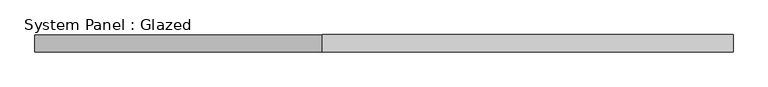
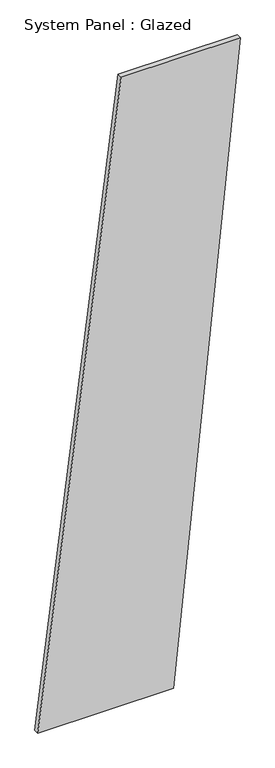
"""IFC4 building model written with IfcOpenShell, lengths in millimetres: plate geometry, System Panel : Glazed."""

from ifc_helpers import new_model, si_unit, frame, origin, place, context, project, spatial, polyline, outline, extrude, source, transform, mapped, element, save


def system_panel_glazed_41f6693e(model_context):
    return source(origin(), model_context, "Body", "SweptSolid", [
        extrude(outline(polyline([(0.0, -510.0478478), (0.0, 173.9712913), (3341.4626538, 510.0478478), (3341.4626538, -89.9521522), (0.0, -510.0478478)])), frame((0.0, -49.5, 0.0), z_axis=(0.0, 1.0, 0.0), x_axis=(0.0, 0.0, 1.0)), (0.0, 0.0, 1.0), 25.0),
    ])


if __name__ == "__main__":
    model = new_model("IFC4")
    model_context = context("Model", 3, world=origin())
    ifc_project = project(units=[si_unit("LENGTHUNIT", "METRE", prefix="MILLI")], contexts=[model_context])
    site = spatial("IfcSite", under=ifc_project)
    building = spatial("IfcBuilding", under=site)
    placement = place(None, origin())
    system_panel_glazed_shape = system_panel_glazed_41f6693e(model_context)
    element("IfcPlate", 1, ObjectType="System Panel : Glazed", at=placement, inside=building, context=model_context, shape_type="MappedRepresentation", body=[
        mapped(system_panel_glazed_shape, transform((0.0, 0.0, 0.0), x_axis=(1.0, 0.0, 0.0), y_axis=(0.0, 1.0, 0.0), z_axis=(0.0, 0.0, 1.0))),
    ])
    save(model, "model.ifc")
